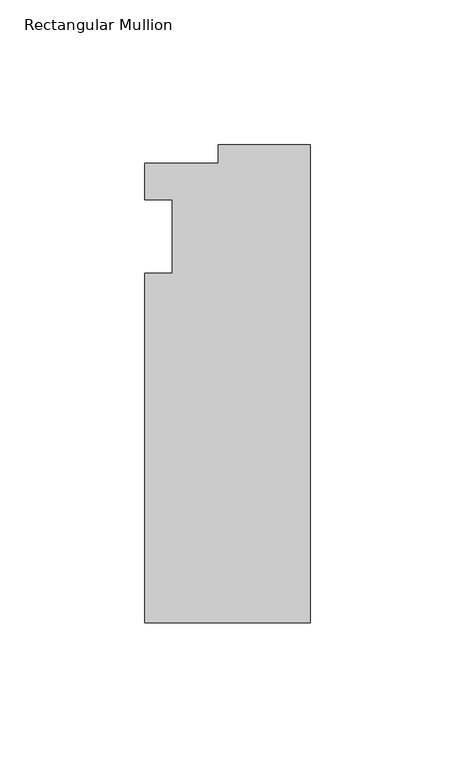
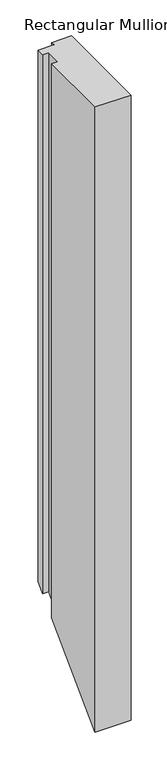
"""IFC4 building model written with IfcOpenShell, lengths in millimetres: member geometry, Rectangular Mullion."""

from ifc_helpers import new_model, si_unit, origin, place, context, project, spatial, faceted_brep, source, transform, mapped, element, save


def rectangular_mullion_a24f42c1(model_context):
    return source(origin(), model_context, "Body", "Brep", [
        faceted_brep([(-57.15, -146.05, 0.0), (0.0, -146.05, 0.0), (0.0, 19.05, 0.0), (-31.75, 19.05, 0.0), (-31.75, 12.7, 0.0), (-57.15, 12.7, 0.0), (-57.15, 0.0, 0.0), (-47.6232296, 0.0, 0.0), (-47.6232296, -25.4, 0.0), (-57.15, -25.4, 0.0), (-57.15, -146.05, -1060.45), (0.0, -146.05, -1060.45), (0.0, 19.05, -895.35), (-31.75, 19.05, -895.35), (-31.75, 12.7, -901.7), (-57.15, 12.7, -901.7), (-57.15, 0.0, -914.4), (-47.6232296, 0.0, -914.4), (-47.6232296, -25.4, -939.8), (-57.15, -25.4, -939.8)], [[[0, 1, 2, 3, 4, 5, 6, 7, 8, 9]], [[1, 0, 10, 11]], [[2, 1, 11, 12]], [[3, 2, 12, 13]], [[4, 3, 13, 14]], [[5, 4, 14, 15]], [[6, 5, 15, 16]], [[7, 6, 16, 17]], [[8, 7, 17, 18]], [[9, 8, 18, 19]], [[0, 9, 19, 10]], [[10, 19, 18, 17, 16, 15, 14, 13, 12, 11]]]),
    ])


if __name__ == "__main__":
    model = new_model("IFC4")
    model_context = context("Model", 3, world=origin())
    ifc_project = project(units=[si_unit("LENGTHUNIT", "METRE", prefix="MILLI")], contexts=[model_context])
    site = spatial("IfcSite", under=ifc_project)
    building = spatial("IfcBuilding", under=site)
    placement = place(None, origin())
    rectangular_mullion_shape = rectangular_mullion_a24f42c1(model_context)
    element("IfcMember", 1, ObjectType="Rectangular Mullion", at=placement, inside=building, context=model_context, shape_type="MappedRepresentation", body=[
        mapped(rectangular_mullion_shape, transform((0.0, 0.0, 0.0), x_axis=(1.0, 0.0, 0.0), y_axis=(0.0, 1.0, 0.0), z_axis=(0.0, 0.0, 1.0))),
    ])
    save(model, "model.ifc")
